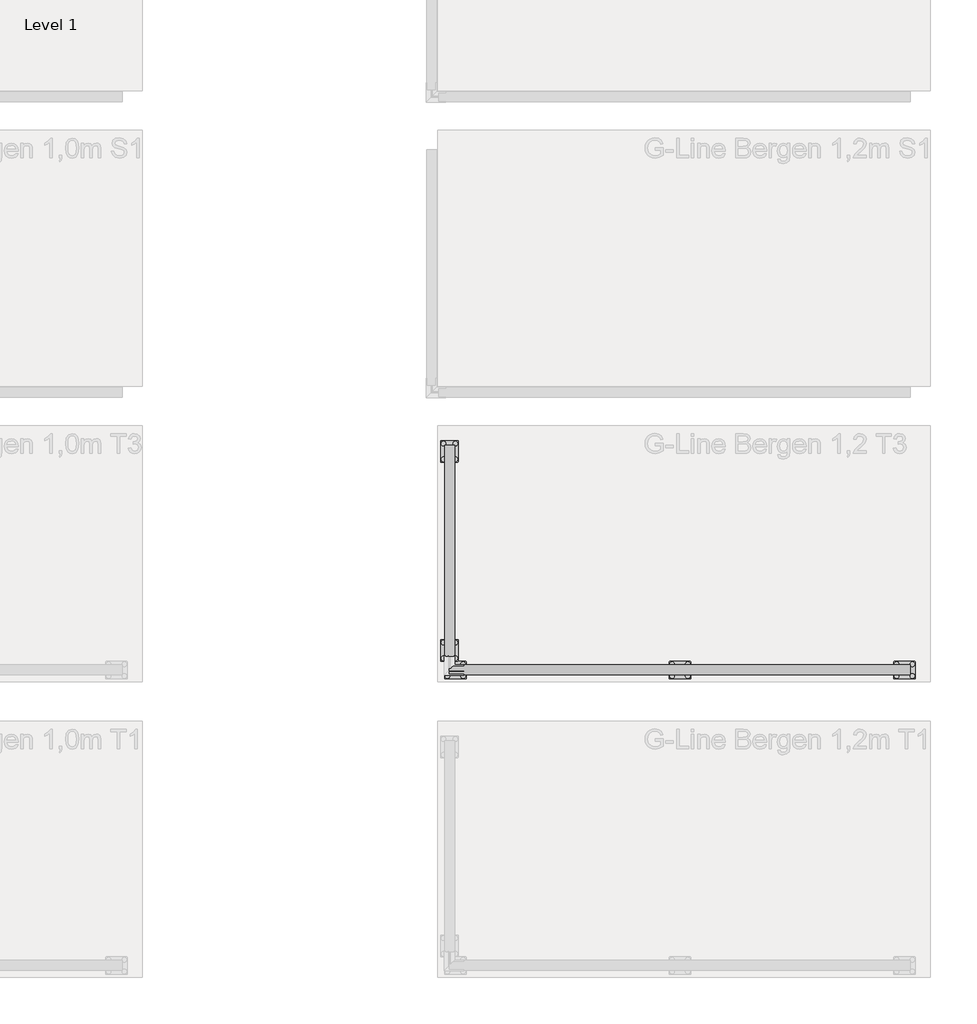
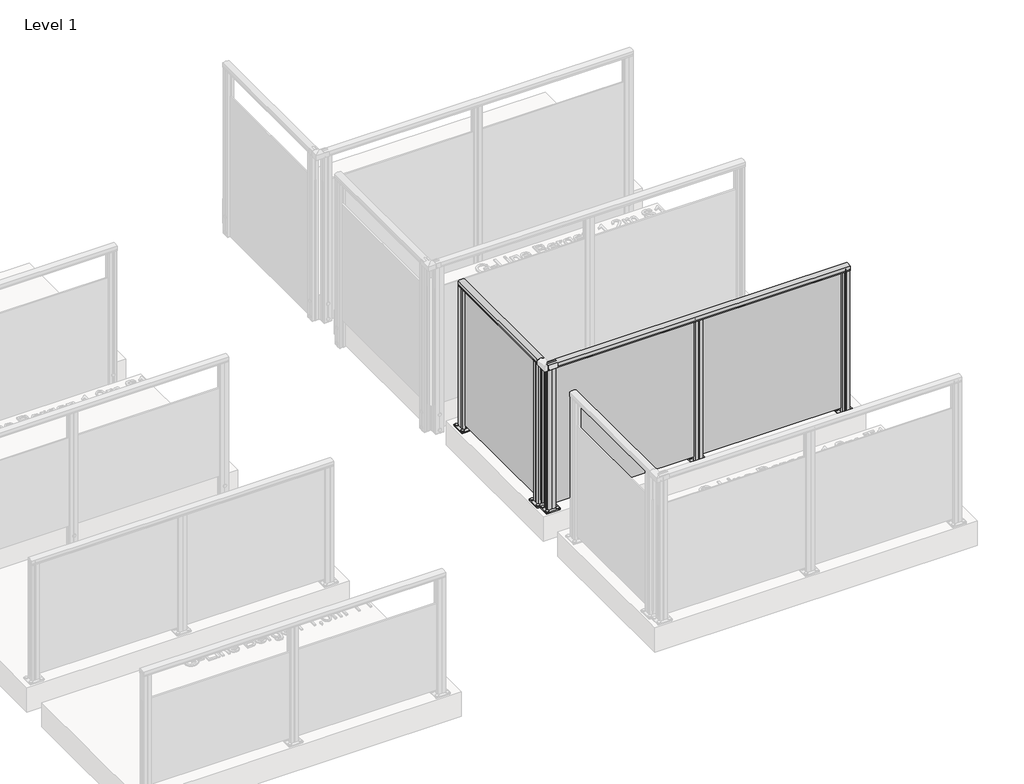
# One storey, part 5 of 14: 2 railings.
"""IFC4 building model written with IfcOpenShell, lengths in millimetres."""

import ifcopenshell
import ifcopenshell.guid

model = None  # the IFC model being written
_history = None  # IfcOwnerHistory: only IFC2X3 demands one
_inside = {}  # id of a spatial element -> (the spatial element, [elements in it])
_under = {}  # id of a project, library or spatial element -> (it, [spatial elements below it])
_declared = {}  # id of a project -> (the project, [libraries it declares])
_typed = {}  # id of a type object -> (the type object, [elements of that type])
_made_of = {}  # id of a material, layer set ... -> (it, [elements and type objects made of it])


def new_model(schema):
    """Start an empty IFC model of exactly this schema.

    Asked for "IFC4X3", IfcOpenShell would pick the latest addendum, in which some entities
    have other attributes; the version numbers below select the first issue.
    IFC2X3 requires an IfcOwnerHistory on every rooted entity: one is made here for all.
    """
    global model, _history
    if schema == "IFC4X3":
        model = ifcopenshell.file(schema_version=(4, 3, 0, 0))
    else:
        model = ifcopenshell.file(schema=schema)
    _inside.clear()
    _under.clear()
    _declared.clear()
    _typed.clear()
    _made_of.clear()
    _history = None
    if model.schema == "IFC2X3":
        org = make("IfcOrganization", Name="unknown")
        user = make(
            "IfcPersonAndOrganization",
            ThePerson=make("IfcPerson", FamilyName="unknown"),
            TheOrganization=org,
        )
        app = make(
            "IfcApplication",
            ApplicationDeveloper=org,
            Version="unknown",
            ApplicationFullName="unknown",
            ApplicationIdentifier="unknown",
        )
        _history = make(
            "IfcOwnerHistory",
            OwningUser=user,
            OwningApplication=app,
            ChangeAction="ADDED",
            CreationDate=0,
        )
    return model


def make(cls, **values):
    """One entity of the class cls with the attributes given. An attribute that is None is left unset."""
    return model.create_entity(
        cls, **{name: value for name, value in values.items() if value is not None}
    )


def rooted(cls, **values):
    """An entity with a GlobalId (a new one), such as an element, a storey or a relation."""
    return make(cls, GlobalId=ifcopenshell.guid.new(), OwnerHistory=_history, **values)


def si_unit(unit_type, name, prefix=None):
    """IfcSIUnit, for example si_unit("LENGTHUNIT", "METRE", prefix="MILLI")."""
    return make("IfcSIUnit", UnitType=unit_type, Prefix=prefix, Name=name)


def assignment(units):
    """IfcUnitAssignment: the units of a project."""
    return None if units is None else make("IfcUnitAssignment", Units=units)


def point(xyz):
    """IfcCartesianPoint."""
    return None if xyz is None else make("IfcCartesianPoint", Coordinates=xyz)


def direction(xyz):
    """IfcDirection."""
    return None if xyz is None else make("IfcDirection", DirectionRatios=xyz)


def frame(location, z_axis=None, x_axis=None):
    """IfcAxis2Placement3D, a coordinate frame: its origin and axes. An axis left out is left unset."""
    return make(
        "IfcAxis2Placement3D",
        Location=point(location),
        Axis=direction(z_axis),
        RefDirection=direction(x_axis),
    )


def frame_2d(location, x_axis=None):
    """IfcAxis2Placement2D, a coordinate frame in the plane: its origin and x axis."""
    return make(
        "IfcAxis2Placement2D", Location=point(location), RefDirection=direction(x_axis)
    )


def origin():
    """The frame at (0, 0, 0) with its axes left unset."""
    return frame((0.0, 0.0, 0.0))


def origin_with_axes():
    """The frame at (0, 0, 0) with the z axis (0, 0, 1) and the x axis (1, 0, 0) written out."""
    return frame((0.0, 0.0, 0.0), z_axis=(0.0, 0.0, 1.0), x_axis=(1.0, 0.0, 0.0))


def place(relative_to, where):
    """IfcLocalPlacement: puts the frame where relative to a parent placement (None: the world)."""
    return make(
        "IfcLocalPlacement", PlacementRelTo=relative_to, RelativePlacement=where
    )


def context(
    kind, dimensions, precision=None, world=None, true_north=None, identifier=None
):
    """IfcGeometricRepresentationContext, for example the 3D "Model" context."""
    return make(
        "IfcGeometricRepresentationContext",
        ContextIdentifier=identifier,
        ContextType=kind,
        CoordinateSpaceDimension=dimensions,
        Precision=precision,
        WorldCoordinateSystem=world,
        TrueNorth=true_north,
    )


def project(units=None, contexts=None):
    """IfcProject with its units and contexts."""
    return rooted(
        "IfcProject",
        Name="project",
        RepresentationContexts=contexts,
        UnitsInContext=assignment(units),
    )


def spatial(cls, under=None, at=None, **own):
    """A site, building, storey or space (cls), placed at a placement, below another one or the project."""
    s = rooted(cls, ObjectPlacement=at, **own)
    if under is not None:
        _under.setdefault(under.id(), (under, []))[1].append(s)
    return s


def polyline(points):
    """IfcPolyline through the points."""
    return make("IfcPolyline", Points=[point(p) for p in points])


def circle_curve(where, radius):
    """IfcCircle in the frame where."""
    return make("IfcCircle", Position=where, Radius=radius)


def trimmed(basis, trim1, trim2, sense, master):
    """IfcTrimmedCurve: the piece of a basis curve between two trims."""
    return make(
        "IfcTrimmedCurve",
        BasisCurve=basis,
        Trim1=trim1,
        Trim2=trim2,
        SenseAgreement=sense,
        MasterRepresentation=master,
    )


def segment(curve, same_sense, transition):
    """IfcCompositeCurveSegment."""
    return make(
        "IfcCompositeCurveSegment",
        Transition=transition,
        SameSense=same_sense,
        ParentCurve=curve,
    )


def composite_curve(segments, self_intersect=None):
    """IfcCompositeCurve: segments joined end to end."""
    return make("IfcCompositeCurve", Segments=segments, SelfIntersect=self_intersect)


def outline(outer, holes=None, kind="AREA"):
    """IfcArbitraryClosedProfileDef: a profile drawn as a closed curve; with holes, ...WithVoids."""
    if holes is None:
        return make("IfcArbitraryClosedProfileDef", ProfileType=kind, OuterCurve=outer)
    return make(
        "IfcArbitraryProfileDefWithVoids",
        ProfileType=kind,
        OuterCurve=outer,
        InnerCurves=holes,
    )


def extrude(swept, where, along, depth):
    """IfcExtrudedAreaSolid: the profile swept, set in the frame where, extruded along a direction by depth."""
    return make(
        "IfcExtrudedAreaSolid",
        SweptArea=swept,
        Position=where,
        ExtrudedDirection=direction(along),
        Depth=depth,
    )


def shape(context_of_items, identifier, shape_type, items):
    """IfcShapeRepresentation: the items that make up one representation, for example the "Body"."""
    return make(
        "IfcShapeRepresentation",
        ContextOfItems=context_of_items,
        RepresentationIdentifier=identifier,
        RepresentationType=shape_type,
        Items=items,
    )


def made_of(thing, what):
    """Note that an element or type object is made of a material, layer set ...; save() writes the relation."""
    if what is not None:
        _made_of.setdefault(what.id(), (what, []))[1].append(thing)
    return thing


def element(
    cls,
    number,
    at=None,
    inside=None,
    cuts=None,
    type_object=None,
    material=None,
    context=None,
    identifier="Body",
    shape_type=None,
    held_by="IfcProductDefinitionShape",
    body=None,
    shapes=None,
    **own,
):
    """One element of the class cls, such as IfcWall. Its Tag is "e" and its number.

    at: its placement. inside: the storey or other place that contains it. cuts: it is an
    opening in that element (IfcRelVoidsElement). A single representation is given by context,
    identifier, shape_type and body (its items); several are given by shapes. held_by: the class
    of the entity that holds the representations. save() writes the other relations.
    """
    e = rooted(cls, Tag="e%d" % number, ObjectPlacement=at, **own)
    if body is not None:
        shapes = [shape(context, identifier, shape_type, body)]
    if shapes is not None:
        e.Representation = make(held_by, Representations=shapes)
    if inside is not None:
        _inside.setdefault(inside.id(), (inside, []))[1].append(e)
    if cuts is not None:
        rooted(
            "IfcRelVoidsElement", RelatingBuildingElement=cuts, RelatedOpeningElement=e
        )
    if type_object is not None:
        _typed.setdefault(type_object.id(), (type_object, []))[1].append(e)
    return made_of(e, material)


def aggregate(whole, parts):
    """IfcRelAggregates: a whole, such as a stair, and the parts it consists of."""
    return rooted("IfcRelAggregates", RelatingObject=whole, RelatedObjects=parts)


def save(model, path):
    """Write the relations noted so far, then the file.

    IfcRelAggregates (storeys below a building ...), IfcRelContainedInSpatialStructure (elements
    in a storey), IfcRelDefinesByType, IfcRelAssociatesMaterial and IfcRelDeclares: one each for
    every whole, place, type object, material and project.
    """
    for whole, parts in _under.values():
        aggregate(whole, parts)
    for where, things in _inside.values():
        rooted(
            "IfcRelContainedInSpatialStructure",
            RelatedElements=things,
            RelatingStructure=where,
        )
    for kind, things in _typed.values():
        rooted("IfcRelDefinesByType", RelatedObjects=things, RelatingType=kind)
    for what, things in _made_of.values():
        rooted("IfcRelAssociatesMaterial", RelatedObjects=things, RelatingMaterial=what)
    for by, libraries in _declared.values():
        rooted("IfcRelDeclares", RelatingContext=by, RelatedDefinitions=libraries)
    model.write(path)


model = new_model("IFC4")

# Units and contexts
model_context = context("Model", 3, world=origin())
ifc_project = project(units=[si_unit("LENGTHUNIT", "METRE", prefix="MILLI")], contexts=[model_context])

# Site, building, storey
site = spatial("IfcSite", under=ifc_project)
building = spatial("IfcBuilding", under=site)
storey = spatial("IfcBuildingStorey", under=building, Name="Level 1", Elevation=0.0)

# Railings
placement = place(None, origin())
element("IfcRailing", 1, at=placement, inside=storey, context=model_context, shape_type="SweptSolid", body=[
    extrude(outline(composite_curve([segment(trimmed(circle_curve(frame_2d((1142.6785502, 2203.0702557)), 57.3235687), [point((1194.1390059, 2228.325216))], [point((1194.1342258, 2177.8055577))], False, "CARTESIAN"), True, "CONTINUOUS"), segment(polyline([(1194.1342258, 2177.8055577), (1167.0235023, 2177.8055577), (1166.4415706, 2178.3874894), (1165.8194895, 2177.7654083), (1157.2498847, 2177.7654083), (1157.2498847, 2179.5703613), (1180.4998829, 2179.5703613), (1180.4998829, 2226.5654074), (1157.2498847, 2226.5654074), (1157.2498847, 2228.325216), (1165.9694895, 2228.325216), (1166.5842725, 2227.7104329), (1167.1990555, 2228.325216), (1194.1390059, 2228.325216)]), True, "CONTINUOUS")], self_intersect=False)), frame((0.0, -2889.2844542, 0.0), z_axis=(0.0, 1.0, 0.0), x_axis=(0.0, 0.0, 1.0)), (0.0, 0.0, 1.0), 1070.0),
    extrude(outline(polyline([(2197.9654396, -1819.2844542), (2206.7254396, -1819.2844542), (2206.7254396, -2889.2844542), (2197.9654396, -2889.2844542), (2197.9654396, -1819.2844542)])), frame((0.0, 0.0, 40.0), z_axis=(0.0, 0.0, 1.0), x_axis=(1.0, 0.0, 0.0)), (0.0, 0.0, 1.0), 1140.0),
    extrude(outline(composite_curve([segment(trimmed(circle_curve(frame_2d((2172.3454396, -2819.2844542)), 11.9621755), [point((2160.3832641, -2819.2844542))], [point((2184.307615, -2819.2844542))], False, "CARTESIAN"), True, "CONTINUOUS"), segment(trimmed(circle_curve(frame_2d((2172.3454396, -2819.2844542)), 11.9621755), [point((2184.307615, -2819.2844542))], [point((2160.3832641, -2819.2844542))], False, "CARTESIAN"), True, "CONTINUOUS")], self_intersect=False)), frame((0.0, 0.0, 10.0), z_axis=(0.0, 0.0, 1.0), x_axis=(1.0, 0.0, 0.0)), (0.0, 0.0, 1.0), 5.0),
    extrude(outline(composite_curve([segment(trimmed(circle_curve(frame_2d((2232.3454396, -2819.2844542)), 11.9621755), [point((2220.3832641, -2819.2844542))], [point((2244.307615, -2819.2844542))], False, "CARTESIAN"), True, "CONTINUOUS"), segment(trimmed(circle_curve(frame_2d((2232.3454396, -2819.2844542)), 11.9621755), [point((2244.307615, -2819.2844542))], [point((2220.3832641, -2819.2844542))], False, "CARTESIAN"), True, "CONTINUOUS")], self_intersect=False)), frame((0.0, 0.0, 10.0), z_axis=(0.0, 0.0, 1.0), x_axis=(1.0, 0.0, 0.0)), (0.0, 0.0, 1.0), 5.0),
    extrude(outline(composite_curve([segment(trimmed(circle_curve(frame_2d((2172.3454396, -2899.2844542)), 11.9621755), [point((2160.3832641, -2899.2844542))], [point((2184.307615, -2899.2844542))], False, "CARTESIAN"), True, "CONTINUOUS"), segment(trimmed(circle_curve(frame_2d((2172.3454396, -2899.2844542)), 11.9621755), [point((2184.307615, -2899.2844542))], [point((2160.3832641, -2899.2844542))], False, "CARTESIAN"), True, "CONTINUOUS")], self_intersect=False)), frame((0.0, 0.0, 10.0), z_axis=(0.0, 0.0, 1.0), x_axis=(1.0, 0.0, 0.0)), (0.0, 0.0, 1.0), 5.0),
    extrude(outline(composite_curve([segment(trimmed(circle_curve(frame_2d((2232.3454396, -2899.2844542)), 11.9621755), [point((2220.3832641, -2899.2844542))], [point((2244.307615, -2899.2844542))], False, "CARTESIAN"), True, "CONTINUOUS"), segment(trimmed(circle_curve(frame_2d((2232.3454396, -2899.2844542)), 11.9621755), [point((2244.307615, -2899.2844542))], [point((2220.3832641, -2899.2844542))], False, "CARTESIAN"), True, "CONTINUOUS")], self_intersect=False)), frame((0.0, 0.0, 10.0), z_axis=(0.0, 0.0, 1.0), x_axis=(1.0, 0.0, 0.0)), (0.0, 0.0, 1.0), 5.0),
    extrude(outline(composite_curve([segment(trimmed(circle_curve(frame_2d((2242.3454396, -2809.2844542)), 5.0), [point((2242.3454396, -2804.2844542))], [point((2247.3454396, -2809.2844542))], False, "CARTESIAN"), True, "CONTINUOUS"), segment(polyline([(2247.3454396, -2809.2844542), (2247.3454396, -2909.2844542)]), True, "CONTINUOUS"), segment(trimmed(circle_curve(frame_2d((2242.3454396, -2909.2844542)), 5.0), [point((2247.3454396, -2909.2844542))], [point((2242.3454396, -2914.2844542))], False, "CARTESIAN"), True, "CONTINUOUS"), segment(polyline([(2242.3454396, -2914.2844542), (2162.3454396, -2914.2844542)]), True, "CONTINUOUS"), segment(trimmed(circle_curve(frame_2d((2162.3454396, -2909.2844542)), 5.0), [point((2162.3454396, -2914.2844542))], [point((2157.3454396, -2909.2844542))], False, "CARTESIAN"), True, "CONTINUOUS"), segment(polyline([(2157.3454396, -2909.2844542), (2157.3454396, -2809.2844542)]), True, "CONTINUOUS"), segment(trimmed(circle_curve(frame_2d((2162.3454396, -2809.2844542)), 5.0), [point((2157.3454396, -2809.2844542))], [point((2162.3454396, -2804.2844542))], False, "CARTESIAN"), True, "CONTINUOUS"), segment(polyline([(2162.3454396, -2804.2844542), (2242.3454396, -2804.2844542)]), True, "CONTINUOUS")], self_intersect=False), holes=[composite_curve([segment(trimmed(circle_curve(frame_2d((2232.3454396, -2819.2844542)), 6.25), [point((2226.0954396, -2819.2844542))], [point((2238.5954396, -2819.2844542))], True, "CARTESIAN"), True, "CONTINUOUS"), segment(trimmed(circle_curve(frame_2d((2232.3454396, -2819.2844542)), 6.25), [point((2238.5954396, -2819.2844542))], [point((2226.0954396, -2819.2844542))], True, "CARTESIAN"), True, "CONTINUOUS")], self_intersect=False), composite_curve([segment(trimmed(circle_curve(frame_2d((2172.3454396, -2819.2844542)), 6.25), [point((2166.0954396, -2819.2844542))], [point((2178.5954396, -2819.2844542))], True, "CARTESIAN"), True, "CONTINUOUS"), segment(trimmed(circle_curve(frame_2d((2172.3454396, -2819.2844542)), 6.25), [point((2178.5954396, -2819.2844542))], [point((2166.0954396, -2819.2844542))], True, "CARTESIAN"), True, "CONTINUOUS")], self_intersect=False), composite_curve([segment(trimmed(circle_curve(frame_2d((2172.3454396, -2899.2844542)), 6.25), [point((2166.0954396, -2899.2844542))], [point((2178.5954396, -2899.2844542))], True, "CARTESIAN"), True, "CONTINUOUS"), segment(trimmed(circle_curve(frame_2d((2172.3454396, -2899.2844542)), 6.25), [point((2178.5954396, -2899.2844542))], [point((2166.0954396, -2899.2844542))], True, "CARTESIAN"), True, "CONTINUOUS")], self_intersect=False), composite_curve([segment(trimmed(circle_curve(frame_2d((2232.3454396, -2899.2844542)), 6.25), [point((2226.0954396, -2899.2844542))], [point((2238.5954396, -2899.2844542))], True, "CARTESIAN"), True, "CONTINUOUS"), segment(trimmed(circle_curve(frame_2d((2232.3454396, -2899.2844542)), 6.25), [point((2238.5954396, -2899.2844542))], [point((2226.0954396, -2899.2844542))], True, "CARTESIAN"), True, "CONTINUOUS")], self_intersect=False)]), origin_with_axes(), (0.0, 0.0, 1.0), 10.0),
    extrude(outline(polyline([(2197.9995776, -2889.2828611), (2179.8545778, -2889.2855333), (2179.8503119, -2860.3185463), (2180.8784532, -2859.2901021), (2179.8900636, -2858.3020036), (2179.8857904, -2829.2855281), (2197.9907415, -2829.2828618), (2197.9933187, -2846.7828616), (2206.7533186, -2846.7815715), (2206.7507414, -2829.2815717), (2224.8457412, -2829.2789069), (2224.8500071, -2858.2458938), (2223.9316748, -2859.2837617), (2224.8100969, -2860.1619251), (2224.8143849, -2889.2789121), (2206.7595775, -2889.281571), (2206.7570003, -2871.7815712), (2197.9970004, -2871.7828613), (2197.9995776, -2889.2828611)]), holes=[polyline([(2222.8514552, -2850.4852392), (2181.8488637, -2850.4852392), (2181.8488637, -2868.0792009), (2222.8514552, -2868.0792009), (2222.8514552, -2850.4852392)]), polyline([(2195.9935691, -2831.2852394), (2181.8460362, -2831.2852394), (2181.8460362, -2848.4831561), (2195.9935691, -2848.4831561), (2195.9935691, -2831.2852394)]), polyline([(2222.8514552, -2831.2812771), (2208.7510359, -2831.2812771), (2208.7510359, -2848.4792008), (2222.8514552, -2848.4792008), (2222.8514552, -2831.2812771)]), polyline([(2195.9992831, -2870.0852389), (2181.8517502, -2870.0852389), (2181.8517502, -2887.2831556), (2195.9992831, -2887.2831556), (2195.9992831, -2870.0852389)]), polyline([(2222.9042828, -2870.0812767), (2208.7567499, -2870.0812767), (2208.7567499, -2887.2791934), (2222.9042828, -2887.2791934), (2222.9042828, -2870.0812767)])]), frame((0.0, 0.0, 10.0), z_axis=(0.0, 0.0, 1.0), x_axis=(1.0, 0.0, 0.0)), (0.0, 0.0, 1.0), 1171.0),
    extrude(outline(composite_curve([segment(trimmed(circle_curve(frame_2d((2172.3454396, -1809.2844542)), 11.9621755), [point((2160.3832641, -1809.2844542))], [point((2184.307615, -1809.2844542))], False, "CARTESIAN"), True, "CONTINUOUS"), segment(trimmed(circle_curve(frame_2d((2172.3454396, -1809.2844542)), 11.9621755), [point((2184.307615, -1809.2844542))], [point((2160.3832641, -1809.2844542))], False, "CARTESIAN"), True, "CONTINUOUS")], self_intersect=False)), frame((0.0, 0.0, 10.0), z_axis=(0.0, 0.0, 1.0), x_axis=(1.0, 0.0, 0.0)), (0.0, 0.0, 1.0), 5.0),
    extrude(outline(composite_curve([segment(trimmed(circle_curve(frame_2d((2232.3454396, -1809.2844542)), 11.9621755), [point((2220.3832641, -1809.2844542))], [point((2244.307615, -1809.2844542))], False, "CARTESIAN"), True, "CONTINUOUS"), segment(trimmed(circle_curve(frame_2d((2232.3454396, -1809.2844542)), 11.9621755), [point((2244.307615, -1809.2844542))], [point((2220.3832641, -1809.2844542))], False, "CARTESIAN"), True, "CONTINUOUS")], self_intersect=False)), frame((0.0, 0.0, 10.0), z_axis=(0.0, 0.0, 1.0), x_axis=(1.0, 0.0, 0.0)), (0.0, 0.0, 1.0), 5.0),
    extrude(outline(composite_curve([segment(trimmed(circle_curve(frame_2d((2172.3454396, -1889.2844542)), 11.9621755), [point((2160.3832641, -1889.2844542))], [point((2184.307615, -1889.2844542))], False, "CARTESIAN"), True, "CONTINUOUS"), segment(trimmed(circle_curve(frame_2d((2172.3454396, -1889.2844542)), 11.9621755), [point((2184.307615, -1889.2844542))], [point((2160.3832641, -1889.2844542))], False, "CARTESIAN"), True, "CONTINUOUS")], self_intersect=False)), frame((0.0, 0.0, 10.0), z_axis=(0.0, 0.0, 1.0), x_axis=(1.0, 0.0, 0.0)), (0.0, 0.0, 1.0), 5.0),
    extrude(outline(composite_curve([segment(trimmed(circle_curve(frame_2d((2232.3454396, -1889.2844542)), 11.9621755), [point((2220.3832641, -1889.2844542))], [point((2244.307615, -1889.2844542))], False, "CARTESIAN"), True, "CONTINUOUS"), segment(trimmed(circle_curve(frame_2d((2232.3454396, -1889.2844542)), 11.9621755), [point((2244.307615, -1889.2844542))], [point((2220.3832641, -1889.2844542))], False, "CARTESIAN"), True, "CONTINUOUS")], self_intersect=False)), frame((0.0, 0.0, 10.0), z_axis=(0.0, 0.0, 1.0), x_axis=(1.0, 0.0, 0.0)), (0.0, 0.0, 1.0), 5.0),
    extrude(outline(composite_curve([segment(trimmed(circle_curve(frame_2d((2242.3454396, -1799.2844542)), 5.0), [point((2242.3454396, -1794.2844542))], [point((2247.3454396, -1799.2844542))], False, "CARTESIAN"), True, "CONTINUOUS"), segment(polyline([(2247.3454396, -1799.2844542), (2247.3454396, -1899.2844542)]), True, "CONTINUOUS"), segment(trimmed(circle_curve(frame_2d((2242.3454396, -1899.2844542)), 5.0), [point((2247.3454396, -1899.2844542))], [point((2242.3454396, -1904.2844542))], False, "CARTESIAN"), True, "CONTINUOUS"), segment(polyline([(2242.3454396, -1904.2844542), (2162.3454396, -1904.2844542)]), True, "CONTINUOUS"), segment(trimmed(circle_curve(frame_2d((2162.3454396, -1899.2844542)), 5.0), [point((2162.3454396, -1904.2844542))], [point((2157.3454396, -1899.2844542))], False, "CARTESIAN"), True, "CONTINUOUS"), segment(polyline([(2157.3454396, -1899.2844542), (2157.3454396, -1799.2844542)]), True, "CONTINUOUS"), segment(trimmed(circle_curve(frame_2d((2162.3454396, -1799.2844542)), 5.0), [point((2157.3454396, -1799.2844542))], [point((2162.3454396, -1794.2844542))], False, "CARTESIAN"), True, "CONTINUOUS"), segment(polyline([(2162.3454396, -1794.2844542), (2242.3454396, -1794.2844542)]), True, "CONTINUOUS")], self_intersect=False), holes=[composite_curve([segment(trimmed(circle_curve(frame_2d((2232.3454396, -1809.2844542)), 6.25), [point((2226.0954396, -1809.2844542))], [point((2238.5954396, -1809.2844542))], True, "CARTESIAN"), True, "CONTINUOUS"), segment(trimmed(circle_curve(frame_2d((2232.3454396, -1809.2844542)), 6.25), [point((2238.5954396, -1809.2844542))], [point((2226.0954396, -1809.2844542))], True, "CARTESIAN"), True, "CONTINUOUS")], self_intersect=False), composite_curve([segment(trimmed(circle_curve(frame_2d((2172.3454396, -1809.2844542)), 6.25), [point((2166.0954396, -1809.2844542))], [point((2178.5954396, -1809.2844542))], True, "CARTESIAN"), True, "CONTINUOUS"), segment(trimmed(circle_curve(frame_2d((2172.3454396, -1809.2844542)), 6.25), [point((2178.5954396, -1809.2844542))], [point((2166.0954396, -1809.2844542))], True, "CARTESIAN"), True, "CONTINUOUS")], self_intersect=False), composite_curve([segment(trimmed(circle_curve(frame_2d((2172.3454396, -1889.2844542)), 6.25), [point((2166.0954396, -1889.2844542))], [point((2178.5954396, -1889.2844542))], True, "CARTESIAN"), True, "CONTINUOUS"), segment(trimmed(circle_curve(frame_2d((2172.3454396, -1889.2844542)), 6.25), [point((2178.5954396, -1889.2844542))], [point((2166.0954396, -1889.2844542))], True, "CARTESIAN"), True, "CONTINUOUS")], self_intersect=False), composite_curve([segment(trimmed(circle_curve(frame_2d((2232.3454396, -1889.2844542)), 6.25), [point((2226.0954396, -1889.2844542))], [point((2238.5954396, -1889.2844542))], True, "CARTESIAN"), True, "CONTINUOUS"), segment(trimmed(circle_curve(frame_2d((2232.3454396, -1889.2844542)), 6.25), [point((2238.5954396, -1889.2844542))], [point((2226.0954396, -1889.2844542))], True, "CARTESIAN"), True, "CONTINUOUS")], self_intersect=False)]), origin_with_axes(), (0.0, 0.0, 1.0), 10.0),
    extrude(outline(polyline([(2197.9995776, -1879.2828611), (2179.8545778, -1879.2855333), (2179.8503119, -1850.3185463), (2180.8784532, -1849.2901021), (2179.8900636, -1848.3020036), (2179.8857904, -1819.2855281), (2197.9907415, -1819.2828618), (2197.9933187, -1836.7828616), (2206.7533186, -1836.7815715), (2206.7507414, -1819.2815717), (2224.8457412, -1819.2789069), (2224.8500071, -1848.2458938), (2223.9316748, -1849.2837617), (2224.8100969, -1850.1619251), (2224.8143849, -1879.2789121), (2206.7595775, -1879.281571), (2206.7570003, -1861.7815712), (2197.9970004, -1861.7828613), (2197.9995776, -1879.2828611)]), holes=[polyline([(2222.8514552, -1840.4852392), (2181.8488637, -1840.4852392), (2181.8488637, -1858.0792009), (2222.8514552, -1858.0792009), (2222.8514552, -1840.4852392)]), polyline([(2195.9935691, -1821.2852394), (2181.8460362, -1821.2852394), (2181.8460362, -1838.4831561), (2195.9935691, -1838.4831561), (2195.9935691, -1821.2852394)]), polyline([(2222.8514552, -1821.2812771), (2208.7510359, -1821.2812771), (2208.7510359, -1838.4792008), (2222.8514552, -1838.4792008), (2222.8514552, -1821.2812771)]), polyline([(2195.9992831, -1860.0852389), (2181.8517502, -1860.0852389), (2181.8517502, -1877.2831556), (2195.9992831, -1877.2831556), (2195.9992831, -1860.0852389)]), polyline([(2222.9042828, -1860.0812767), (2208.7567499, -1860.0812767), (2208.7567499, -1877.2791934), (2222.9042828, -1877.2791934), (2222.9042828, -1860.0812767)])]), frame((0.0, 0.0, 10.0), z_axis=(0.0, 0.0, 1.0), x_axis=(1.0, 0.0, 0.0)), (0.0, 0.0, 1.0), 1171.0),
])
element("IfcRailing", 2, at=placement, inside=storey, context=model_context, shape_type="SweptSolid", body=[
    extrude(outline(composite_curve([segment(polyline([(-2933.3046778, 1194.1390059), (-2933.3046778, 1167.1990555), (-2933.9194608, 1166.5842725), (-2933.3046778, 1165.9694895), (-2933.3046778, 1157.2498847), (-2935.0644864, 1157.2498847), (-2935.0644864, 1180.4998829), (-2982.0595325, 1180.4998829), (-2982.0595325, 1157.2498847), (-2983.8644854, 1157.2498847), (-2983.8644854, 1165.8194895), (-2983.2424043, 1166.4415706), (-2983.8243361, 1167.0235023), (-2983.8243361, 1194.1342258)]), True, "CONTINUOUS"), segment(trimmed(circle_curve(frame_2d((-2958.5596381, 1142.6785502)), 57.3235687), [point((-2983.8243361, 1194.1342258))], [point((-2933.3046778, 1194.1390059))], False, "CARTESIAN"), True, "CONTINUOUS")], self_intersect=False)), frame((2202.3454396, 0.0, 0.0), z_axis=(1.0, 0.0, 0.0), x_axis=(0.0, 1.0, 0.0)), (0.0, 0.0, 1.0), 2340.0),
    extrude(outline(polyline([(2202.3454396, -2963.6644542), (2202.3454396, -2954.9044542), (4542.3454396, -2954.9044542), (4542.3454396, -2963.6644542), (2202.3454396, -2963.6644542)])), frame((0.0, 0.0, 40.0), z_axis=(0.0, 0.0, 1.0), x_axis=(1.0, 0.0, 0.0)), (0.0, 0.0, 1.0), 1140.0),
    extrude(outline(composite_curve([segment(trimmed(circle_curve(frame_2d((3332.3454396, -2989.2844542)), 11.9621755), [point((3332.3454396, -3001.2466296))], [point((3332.3454396, -2977.3222787))], False, "CARTESIAN"), True, "CONTINUOUS"), segment(trimmed(circle_curve(frame_2d((3332.3454396, -2989.2844542)), 11.9621755), [point((3332.3454396, -2977.3222787))], [point((3332.3454396, -3001.2466296))], False, "CARTESIAN"), True, "CONTINUOUS")], self_intersect=False)), frame((0.0, 0.0, 10.0), z_axis=(0.0, 0.0, 1.0), x_axis=(1.0, 0.0, 0.0)), (0.0, 0.0, 1.0), 5.0),
    extrude(outline(composite_curve([segment(trimmed(circle_curve(frame_2d((3332.3454396, -2929.2844542)), 11.9621755), [point((3332.3454396, -2941.2466296))], [point((3332.3454396, -2917.3222787))], False, "CARTESIAN"), True, "CONTINUOUS"), segment(trimmed(circle_curve(frame_2d((3332.3454396, -2929.2844542)), 11.9621755), [point((3332.3454396, -2917.3222787))], [point((3332.3454396, -2941.2466296))], False, "CARTESIAN"), True, "CONTINUOUS")], self_intersect=False)), frame((0.0, 0.0, 10.0), z_axis=(0.0, 0.0, 1.0), x_axis=(1.0, 0.0, 0.0)), (0.0, 0.0, 1.0), 5.0),
    extrude(outline(composite_curve([segment(trimmed(circle_curve(frame_2d((3412.3454396, -2989.2844542)), 11.9621755), [point((3412.3454396, -3001.2466296))], [point((3412.3454396, -2977.3222787))], False, "CARTESIAN"), True, "CONTINUOUS"), segment(trimmed(circle_curve(frame_2d((3412.3454396, -2989.2844542)), 11.9621755), [point((3412.3454396, -2977.3222787))], [point((3412.3454396, -3001.2466296))], False, "CARTESIAN"), True, "CONTINUOUS")], self_intersect=False)), frame((0.0, 0.0, 10.0), z_axis=(0.0, 0.0, 1.0), x_axis=(1.0, 0.0, 0.0)), (0.0, 0.0, 1.0), 5.0),
    extrude(outline(composite_curve([segment(trimmed(circle_curve(frame_2d((3412.3454396, -2929.2844542)), 11.9621755), [point((3412.3454396, -2941.2466296))], [point((3412.3454396, -2917.3222787))], False, "CARTESIAN"), True, "CONTINUOUS"), segment(trimmed(circle_curve(frame_2d((3412.3454396, -2929.2844542)), 11.9621755), [point((3412.3454396, -2917.3222787))], [point((3412.3454396, -2941.2466296))], False, "CARTESIAN"), True, "CONTINUOUS")], self_intersect=False)), frame((0.0, 0.0, 10.0), z_axis=(0.0, 0.0, 1.0), x_axis=(1.0, 0.0, 0.0)), (0.0, 0.0, 1.0), 5.0),
    extrude(outline(composite_curve([segment(trimmed(circle_curve(frame_2d((3322.3454396, -2919.2844542)), 5.0), [point((3317.3454396, -2919.2844542))], [point((3322.3454396, -2914.2844542))], False, "CARTESIAN"), True, "CONTINUOUS"), segment(polyline([(3322.3454396, -2914.2844542), (3422.3454396, -2914.2844542)]), True, "CONTINUOUS"), segment(trimmed(circle_curve(frame_2d((3422.3454396, -2919.2844542)), 5.0), [point((3422.3454396, -2914.2844542))], [point((3427.3454396, -2919.2844542))], False, "CARTESIAN"), True, "CONTINUOUS"), segment(polyline([(3427.3454396, -2919.2844542), (3427.3454396, -2999.2844542)]), True, "CONTINUOUS"), segment(trimmed(circle_curve(frame_2d((3422.3454396, -2999.2844542)), 5.0), [point((3427.3454396, -2999.2844542))], [point((3422.3454396, -3004.2844542))], False, "CARTESIAN"), True, "CONTINUOUS"), segment(polyline([(3422.3454396, -3004.2844542), (3322.3454396, -3004.2844542)]), True, "CONTINUOUS"), segment(trimmed(circle_curve(frame_2d((3322.3454396, -2999.2844542)), 5.0), [point((3322.3454396, -3004.2844542))], [point((3317.3454396, -2999.2844542))], False, "CARTESIAN"), True, "CONTINUOUS"), segment(polyline([(3317.3454396, -2999.2844542), (3317.3454396, -2919.2844542)]), True, "CONTINUOUS")], self_intersect=False), holes=[composite_curve([segment(trimmed(circle_curve(frame_2d((3332.3454396, -2929.2844542)), 6.25), [point((3332.3454396, -2935.5344542))], [point((3332.3454396, -2923.0344542))], True, "CARTESIAN"), True, "CONTINUOUS"), segment(trimmed(circle_curve(frame_2d((3332.3454396, -2929.2844542)), 6.25), [point((3332.3454396, -2923.0344542))], [point((3332.3454396, -2935.5344542))], True, "CARTESIAN"), True, "CONTINUOUS")], self_intersect=False), composite_curve([segment(trimmed(circle_curve(frame_2d((3332.3454396, -2989.2844542)), 6.25), [point((3332.3454396, -2995.5344542))], [point((3332.3454396, -2983.0344542))], True, "CARTESIAN"), True, "CONTINUOUS"), segment(trimmed(circle_curve(frame_2d((3332.3454396, -2989.2844542)), 6.25), [point((3332.3454396, -2983.0344542))], [point((3332.3454396, -2995.5344542))], True, "CARTESIAN"), True, "CONTINUOUS")], self_intersect=False), composite_curve([segment(trimmed(circle_curve(frame_2d((3412.3454396, -2989.2844542)), 6.25), [point((3412.3454396, -2995.5344542))], [point((3412.3454396, -2983.0344542))], True, "CARTESIAN"), True, "CONTINUOUS"), segment(trimmed(circle_curve(frame_2d((3412.3454396, -2989.2844542)), 6.25), [point((3412.3454396, -2983.0344542))], [point((3412.3454396, -2995.5344542))], True, "CARTESIAN"), True, "CONTINUOUS")], self_intersect=False), composite_curve([segment(trimmed(circle_curve(frame_2d((3412.3454396, -2929.2844542)), 6.25), [point((3412.3454396, -2935.5344542))], [point((3412.3454396, -2923.0344542))], True, "CARTESIAN"), True, "CONTINUOUS"), segment(trimmed(circle_curve(frame_2d((3412.3454396, -2929.2844542)), 6.25), [point((3412.3454396, -2923.0344542))], [point((3412.3454396, -2935.5344542))], True, "CARTESIAN"), True, "CONTINUOUS")], self_intersect=False)]), origin_with_axes(), (0.0, 0.0, 1.0), 10.0),
    extrude(outline(polyline([(3402.3438465, -2963.6303161), (3402.3465187, -2981.775316), (3373.3795317, -2981.7795819), (3372.3510875, -2980.7514406), (3371.362989, -2981.7398302), (3342.3465135, -2981.7441034), (3342.3438472, -2963.6391523), (3359.843847, -2963.6365751), (3359.8425569, -2954.8765752), (3342.3425571, -2954.8791524), (3342.3398922, -2936.7841526), (3371.3068792, -2936.7798866), (3372.3447471, -2937.698219), (3373.2229105, -2936.8197969), (3402.3398975, -2936.8155088), (3402.3425564, -2954.8703162), (3384.8425566, -2954.8728934), (3384.8438467, -2963.6328934), (3402.3438465, -2963.6303161)]), holes=[polyline([(3363.5462246, -2938.7784385), (3363.5462246, -2979.78103), (3381.1401863, -2979.78103), (3381.1401863, -2938.7784385), (3363.5462246, -2938.7784385)]), polyline([(3344.3462248, -2965.6363247), (3344.3462248, -2979.7838576), (3361.5441415, -2979.7838576), (3361.5441415, -2965.6363247), (3344.3462248, -2965.6363247)]), polyline([(3344.3422625, -2938.7784385), (3344.3422625, -2952.8788579), (3361.5401862, -2952.8788579), (3361.5401862, -2938.7784385), (3344.3422625, -2938.7784385)]), polyline([(3383.1462243, -2965.6306107), (3383.1462243, -2979.7781435), (3400.344141, -2979.7781435), (3400.344141, -2965.6306107), (3383.1462243, -2965.6306107)]), polyline([(3383.1422621, -2938.725611), (3383.1422621, -2952.8731438), (3400.3401788, -2952.8731438), (3400.3401788, -2938.725611), (3383.1422621, -2938.725611)])]), frame((0.0, 0.0, 10.0), z_axis=(0.0, 0.0, 1.0), x_axis=(1.0, 0.0, 0.0)), (0.0, 0.0, 1.0), 1171.0),
    extrude(outline(composite_curve([segment(trimmed(circle_curve(frame_2d((4472.3454396, -2989.2844542)), 11.9621755), [point((4472.3454396, -3001.2466296))], [point((4472.3454396, -2977.3222787))], False, "CARTESIAN"), True, "CONTINUOUS"), segment(trimmed(circle_curve(frame_2d((4472.3454396, -2989.2844542)), 11.9621755), [point((4472.3454396, -2977.3222787))], [point((4472.3454396, -3001.2466296))], False, "CARTESIAN"), True, "CONTINUOUS")], self_intersect=False)), frame((0.0, 0.0, 10.0), z_axis=(0.0, 0.0, 1.0), x_axis=(1.0, 0.0, 0.0)), (0.0, 0.0, 1.0), 5.0),
    extrude(outline(composite_curve([segment(trimmed(circle_curve(frame_2d((4472.3454396, -2929.2844542)), 11.9621755), [point((4472.3454396, -2941.2466296))], [point((4472.3454396, -2917.3222787))], False, "CARTESIAN"), True, "CONTINUOUS"), segment(trimmed(circle_curve(frame_2d((4472.3454396, -2929.2844542)), 11.9621755), [point((4472.3454396, -2917.3222787))], [point((4472.3454396, -2941.2466296))], False, "CARTESIAN"), True, "CONTINUOUS")], self_intersect=False)), frame((0.0, 0.0, 10.0), z_axis=(0.0, 0.0, 1.0), x_axis=(1.0, 0.0, 0.0)), (0.0, 0.0, 1.0), 5.0),
    extrude(outline(composite_curve([segment(trimmed(circle_curve(frame_2d((4552.3454396, -2989.2844542)), 11.9621755), [point((4552.3454396, -3001.2466296))], [point((4552.3454396, -2977.3222787))], False, "CARTESIAN"), True, "CONTINUOUS"), segment(trimmed(circle_curve(frame_2d((4552.3454396, -2989.2844542)), 11.9621755), [point((4552.3454396, -2977.3222787))], [point((4552.3454396, -3001.2466296))], False, "CARTESIAN"), True, "CONTINUOUS")], self_intersect=False)), frame((0.0, 0.0, 10.0), z_axis=(0.0, 0.0, 1.0), x_axis=(1.0, 0.0, 0.0)), (0.0, 0.0, 1.0), 5.0),
    extrude(outline(composite_curve([segment(trimmed(circle_curve(frame_2d((4552.3454396, -2929.2844542)), 11.9621755), [point((4552.3454396, -2941.2466296))], [point((4552.3454396, -2917.3222787))], False, "CARTESIAN"), True, "CONTINUOUS"), segment(trimmed(circle_curve(frame_2d((4552.3454396, -2929.2844542)), 11.9621755), [point((4552.3454396, -2917.3222787))], [point((4552.3454396, -2941.2466296))], False, "CARTESIAN"), True, "CONTINUOUS")], self_intersect=False)), frame((0.0, 0.0, 10.0), z_axis=(0.0, 0.0, 1.0), x_axis=(1.0, 0.0, 0.0)), (0.0, 0.0, 1.0), 5.0),
    extrude(outline(composite_curve([segment(trimmed(circle_curve(frame_2d((4462.3454396, -2919.2844542)), 5.0), [point((4457.3454396, -2919.2844542))], [point((4462.3454396, -2914.2844542))], False, "CARTESIAN"), True, "CONTINUOUS"), segment(polyline([(4462.3454396, -2914.2844542), (4562.3454396, -2914.2844542)]), True, "CONTINUOUS"), segment(trimmed(circle_curve(frame_2d((4562.3454396, -2919.2844542)), 5.0), [point((4562.3454396, -2914.2844542))], [point((4567.3454396, -2919.2844542))], False, "CARTESIAN"), True, "CONTINUOUS"), segment(polyline([(4567.3454396, -2919.2844542), (4567.3454396, -2999.2844542)]), True, "CONTINUOUS"), segment(trimmed(circle_curve(frame_2d((4562.3454396, -2999.2844542)), 5.0), [point((4567.3454396, -2999.2844542))], [point((4562.3454396, -3004.2844542))], False, "CARTESIAN"), True, "CONTINUOUS"), segment(polyline([(4562.3454396, -3004.2844542), (4462.3454396, -3004.2844542)]), True, "CONTINUOUS"), segment(trimmed(circle_curve(frame_2d((4462.3454396, -2999.2844542)), 5.0), [point((4462.3454396, -3004.2844542))], [point((4457.3454396, -2999.2844542))], False, "CARTESIAN"), True, "CONTINUOUS"), segment(polyline([(4457.3454396, -2999.2844542), (4457.3454396, -2919.2844542)]), True, "CONTINUOUS")], self_intersect=False), holes=[composite_curve([segment(trimmed(circle_curve(frame_2d((4472.3454396, -2929.2844542)), 6.25), [point((4472.3454396, -2935.5344542))], [point((4472.3454396, -2923.0344542))], True, "CARTESIAN"), True, "CONTINUOUS"), segment(trimmed(circle_curve(frame_2d((4472.3454396, -2929.2844542)), 6.25), [point((4472.3454396, -2923.0344542))], [point((4472.3454396, -2935.5344542))], True, "CARTESIAN"), True, "CONTINUOUS")], self_intersect=False), composite_curve([segment(trimmed(circle_curve(frame_2d((4472.3454396, -2989.2844542)), 6.25), [point((4472.3454396, -2995.5344542))], [point((4472.3454396, -2983.0344542))], True, "CARTESIAN"), True, "CONTINUOUS"), segment(trimmed(circle_curve(frame_2d((4472.3454396, -2989.2844542)), 6.25), [point((4472.3454396, -2983.0344542))], [point((4472.3454396, -2995.5344542))], True, "CARTESIAN"), True, "CONTINUOUS")], self_intersect=False), composite_curve([segment(trimmed(circle_curve(frame_2d((4552.3454396, -2989.2844542)), 6.25), [point((4552.3454396, -2995.5344542))], [point((4552.3454396, -2983.0344542))], True, "CARTESIAN"), True, "CONTINUOUS"), segment(trimmed(circle_curve(frame_2d((4552.3454396, -2989.2844542)), 6.25), [point((4552.3454396, -2983.0344542))], [point((4552.3454396, -2995.5344542))], True, "CARTESIAN"), True, "CONTINUOUS")], self_intersect=False), composite_curve([segment(trimmed(circle_curve(frame_2d((4552.3454396, -2929.2844542)), 6.25), [point((4552.3454396, -2935.5344542))], [point((4552.3454396, -2923.0344542))], True, "CARTESIAN"), True, "CONTINUOUS"), segment(trimmed(circle_curve(frame_2d((4552.3454396, -2929.2844542)), 6.25), [point((4552.3454396, -2923.0344542))], [point((4552.3454396, -2935.5344542))], True, "CARTESIAN"), True, "CONTINUOUS")], self_intersect=False)]), origin_with_axes(), (0.0, 0.0, 1.0), 10.0),
    extrude(outline(polyline([(4542.3438465, -2963.6303161), (4542.3465187, -2981.775316), (4513.3795317, -2981.7795819), (4512.3510875, -2980.7514406), (4511.362989, -2981.7398302), (4482.3465135, -2981.7441034), (4482.3438472, -2963.6391523), (4499.843847, -2963.6365751), (4499.8425569, -2954.8765752), (4482.3425571, -2954.8791524), (4482.3398922, -2936.7841526), (4511.3068792, -2936.7798866), (4512.3447471, -2937.698219), (4513.2229105, -2936.8197969), (4542.3398975, -2936.8155088), (4542.3425564, -2954.8703162), (4524.8425566, -2954.8728935), (4524.8438467, -2963.6328934), (4542.3438465, -2963.6303161)]), holes=[polyline([(4503.5462246, -2938.7784385), (4503.5462246, -2979.78103), (4521.1401863, -2979.78103), (4521.1401863, -2938.7784385), (4503.5462246, -2938.7784385)]), polyline([(4484.3462248, -2965.6363247), (4484.3462248, -2979.7838576), (4501.5441415, -2979.7838576), (4501.5441415, -2965.6363247), (4484.3462248, -2965.6363247)]), polyline([(4484.3422625, -2938.7784385), (4484.3422625, -2952.8788579), (4501.5401862, -2952.8788579), (4501.5401862, -2938.7784385), (4484.3422625, -2938.7784385)]), polyline([(4523.1462243, -2965.6306107), (4523.1462243, -2979.7781435), (4540.344141, -2979.7781435), (4540.344141, -2965.6306107), (4523.1462243, -2965.6306107)]), polyline([(4523.1422621, -2938.725611), (4523.1422621, -2952.8731438), (4540.3401788, -2952.8731438), (4540.3401788, -2938.725611), (4523.1422621, -2938.725611)])]), frame((0.0, 0.0, 10.0), z_axis=(0.0, 0.0, 1.0), x_axis=(1.0, 0.0, 0.0)), (0.0, 0.0, 1.0), 1171.0),
    extrude(outline(composite_curve([segment(trimmed(circle_curve(frame_2d((2192.3454396, -2989.2844542)), 11.9621755), [point((2192.3454396, -3001.2466296))], [point((2192.3454396, -2977.3222787))], False, "CARTESIAN"), True, "CONTINUOUS"), segment(trimmed(circle_curve(frame_2d((2192.3454396, -2989.2844542)), 11.9621755), [point((2192.3454396, -2977.3222787))], [point((2192.3454396, -3001.2466296))], False, "CARTESIAN"), True, "CONTINUOUS")], self_intersect=False)), frame((0.0, 0.0, 10.0), z_axis=(0.0, 0.0, 1.0), x_axis=(1.0, 0.0, 0.0)), (0.0, 0.0, 1.0), 5.0),
    extrude(outline(composite_curve([segment(trimmed(circle_curve(frame_2d((2192.3454396, -2929.2844542)), 11.9621755), [point((2192.3454396, -2941.2466296))], [point((2192.3454396, -2917.3222787))], False, "CARTESIAN"), True, "CONTINUOUS"), segment(trimmed(circle_curve(frame_2d((2192.3454396, -2929.2844542)), 11.9621755), [point((2192.3454396, -2917.3222787))], [point((2192.3454396, -2941.2466296))], False, "CARTESIAN"), True, "CONTINUOUS")], self_intersect=False)), frame((0.0, 0.0, 10.0), z_axis=(0.0, 0.0, 1.0), x_axis=(1.0, 0.0, 0.0)), (0.0, 0.0, 1.0), 5.0),
    extrude(outline(composite_curve([segment(trimmed(circle_curve(frame_2d((2272.3454396, -2989.2844542)), 11.9621755), [point((2272.3454396, -3001.2466296))], [point((2272.3454396, -2977.3222787))], False, "CARTESIAN"), True, "CONTINUOUS"), segment(trimmed(circle_curve(frame_2d((2272.3454396, -2989.2844542)), 11.9621755), [point((2272.3454396, -2977.3222787))], [point((2272.3454396, -3001.2466296))], False, "CARTESIAN"), True, "CONTINUOUS")], self_intersect=False)), frame((0.0, 0.0, 10.0), z_axis=(0.0, 0.0, 1.0), x_axis=(1.0, 0.0, 0.0)), (0.0, 0.0, 1.0), 5.0),
    extrude(outline(composite_curve([segment(trimmed(circle_curve(frame_2d((2272.3454396, -2929.2844542)), 11.9621755), [point((2272.3454396, -2941.2466296))], [point((2272.3454396, -2917.3222787))], False, "CARTESIAN"), True, "CONTINUOUS"), segment(trimmed(circle_curve(frame_2d((2272.3454396, -2929.2844542)), 11.9621755), [point((2272.3454396, -2917.3222787))], [point((2272.3454396, -2941.2466296))], False, "CARTESIAN"), True, "CONTINUOUS")], self_intersect=False)), frame((0.0, 0.0, 10.0), z_axis=(0.0, 0.0, 1.0), x_axis=(1.0, 0.0, 0.0)), (0.0, 0.0, 1.0), 5.0),
    extrude(outline(composite_curve([segment(trimmed(circle_curve(frame_2d((2182.3454396, -2919.2844542)), 5.0), [point((2177.3454396, -2919.2844542))], [point((2182.3454396, -2914.2844542))], False, "CARTESIAN"), True, "CONTINUOUS"), segment(polyline([(2182.3454396, -2914.2844542), (2282.3454396, -2914.2844542)]), True, "CONTINUOUS"), segment(trimmed(circle_curve(frame_2d((2282.3454396, -2919.2844542)), 5.0), [point((2282.3454396, -2914.2844542))], [point((2287.3454396, -2919.2844542))], False, "CARTESIAN"), True, "CONTINUOUS"), segment(polyline([(2287.3454396, -2919.2844542), (2287.3454396, -2999.2844542)]), True, "CONTINUOUS"), segment(trimmed(circle_curve(frame_2d((2282.3454396, -2999.2844542)), 5.0), [point((2287.3454396, -2999.2844542))], [point((2282.3454396, -3004.2844542))], False, "CARTESIAN"), True, "CONTINUOUS"), segment(polyline([(2282.3454396, -3004.2844542), (2182.3454396, -3004.2844542)]), True, "CONTINUOUS"), segment(trimmed(circle_curve(frame_2d((2182.3454396, -2999.2844542)), 5.0), [point((2182.3454396, -3004.2844542))], [point((2177.3454396, -2999.2844542))], False, "CARTESIAN"), True, "CONTINUOUS"), segment(polyline([(2177.3454396, -2999.2844542), (2177.3454396, -2919.2844542)]), True, "CONTINUOUS")], self_intersect=False), holes=[composite_curve([segment(trimmed(circle_curve(frame_2d((2192.3454396, -2929.2844542)), 6.25), [point((2192.3454396, -2935.5344542))], [point((2192.3454396, -2923.0344542))], True, "CARTESIAN"), True, "CONTINUOUS"), segment(trimmed(circle_curve(frame_2d((2192.3454396, -2929.2844542)), 6.25), [point((2192.3454396, -2923.0344542))], [point((2192.3454396, -2935.5344542))], True, "CARTESIAN"), True, "CONTINUOUS")], self_intersect=False), composite_curve([segment(trimmed(circle_curve(frame_2d((2192.3454396, -2989.2844542)), 6.25), [point((2192.3454396, -2995.5344542))], [point((2192.3454396, -2983.0344542))], True, "CARTESIAN"), True, "CONTINUOUS"), segment(trimmed(circle_curve(frame_2d((2192.3454396, -2989.2844542)), 6.25), [point((2192.3454396, -2983.0344542))], [point((2192.3454396, -2995.5344542))], True, "CARTESIAN"), True, "CONTINUOUS")], self_intersect=False), composite_curve([segment(trimmed(circle_curve(frame_2d((2272.3454396, -2989.2844542)), 6.25), [point((2272.3454396, -2995.5344542))], [point((2272.3454396, -2983.0344542))], True, "CARTESIAN"), True, "CONTINUOUS"), segment(trimmed(circle_curve(frame_2d((2272.3454396, -2989.2844542)), 6.25), [point((2272.3454396, -2983.0344542))], [point((2272.3454396, -2995.5344542))], True, "CARTESIAN"), True, "CONTINUOUS")], self_intersect=False), composite_curve([segment(trimmed(circle_curve(frame_2d((2272.3454396, -2929.2844542)), 6.25), [point((2272.3454396, -2935.5344542))], [point((2272.3454396, -2923.0344542))], True, "CARTESIAN"), True, "CONTINUOUS"), segment(trimmed(circle_curve(frame_2d((2272.3454396, -2929.2844542)), 6.25), [point((2272.3454396, -2923.0344542))], [point((2272.3454396, -2935.5344542))], True, "CARTESIAN"), True, "CONTINUOUS")], self_intersect=False)]), origin_with_axes(), (0.0, 0.0, 1.0), 10.0),
    extrude(outline(polyline([(2262.3438465, -2963.6303161), (2262.3465187, -2981.7753159), (2233.3795317, -2981.7795819), (2232.3510875, -2980.7514406), (2231.362989, -2981.7398302), (2202.3465135, -2981.7441034), (2202.3438472, -2963.6391523), (2219.843847, -2963.6365751), (2219.8425569, -2954.8765752), (2202.3425571, -2954.8791524), (2202.3398922, -2936.7841526), (2231.3068792, -2936.7798866), (2232.3447471, -2937.698219), (2233.2229105, -2936.8197968), (2262.3398975, -2936.8155088), (2262.3425564, -2954.8703162), (2244.8425566, -2954.8728934), (2244.8438467, -2963.6328934), (2262.3438465, -2963.6303161)]), holes=[polyline([(2223.5462246, -2938.7784385), (2223.5462246, -2979.78103), (2241.1401863, -2979.78103), (2241.1401863, -2938.7784385), (2223.5462246, -2938.7784385)]), polyline([(2204.3462248, -2965.6363247), (2204.3462248, -2979.7838576), (2221.5441415, -2979.7838576), (2221.5441415, -2965.6363247), (2204.3462248, -2965.6363247)]), polyline([(2204.3422625, -2938.7784385), (2204.3422625, -2952.8788579), (2221.5401862, -2952.8788579), (2221.5401862, -2938.7784385), (2204.3422625, -2938.7784385)]), polyline([(2243.1462243, -2965.6306107), (2243.1462243, -2979.7781435), (2260.344141, -2979.7781435), (2260.344141, -2965.6306107), (2243.1462243, -2965.6306107)]), polyline([(2243.1422621, -2938.725611), (2243.1422621, -2952.8731438), (2260.3401788, -2952.8731438), (2260.3401788, -2938.725611), (2243.1422621, -2938.725611)])]), frame((0.0, 0.0, 10.0), z_axis=(0.0, 0.0, 1.0), x_axis=(1.0, 0.0, 0.0)), (0.0, 0.0, 1.0), 1171.0),
])

save(model, "model.ifc")
